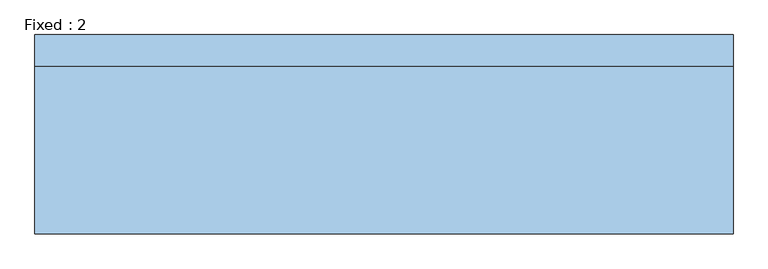
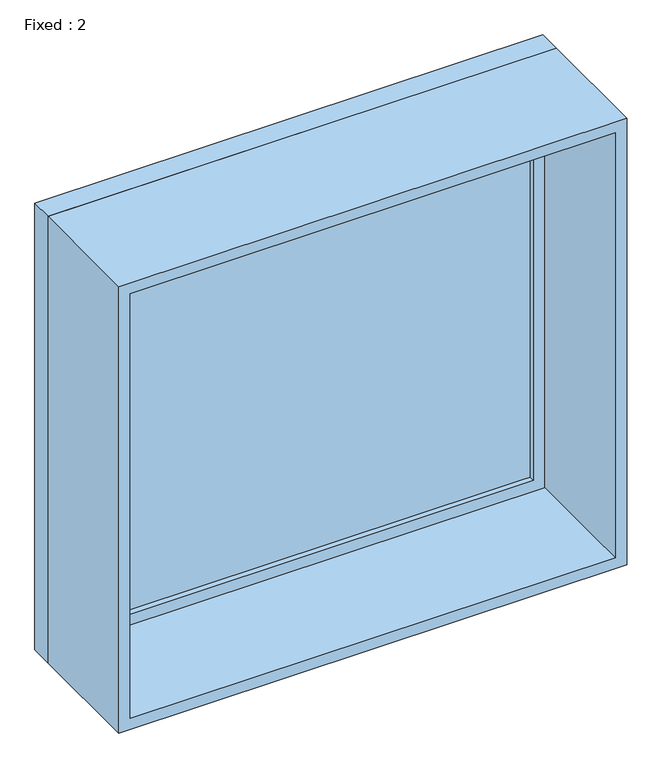
"""IFC4 building model written with IfcOpenShell, lengths in millimetres: window geometry, Fixed : 2."""

from ifc_helpers import new_model, si_unit, frame, origin, place, context, project, spatial, polyline, outline, extrude, source, transform, mapped, element, save


def fixed_2_1b0da007(model_context):
    return source(origin(), model_context, "Body", "SweptSolid", [
        extrude(outline(polyline([(598.4, 152.375), (-674.6, 152.375), (-674.6, 165.075), (598.4, 165.075), (598.4, 152.375)])), frame((0.0, 0.0, 1063.5), z_axis=(0.0, 0.0, 1.0), x_axis=(1.0, 0.0, 0.0)), (0.0, 0.0, 1.0), 1173.0),
        extrude(outline(polyline([(2280.95, -719.05), (1019.05, -719.05), (1019.05, 642.85), (2280.95, 642.85), (2280.95, -719.05)]), holes=[polyline([(2236.5, -674.6), (2236.5, 598.4), (1063.5, 598.4), (1063.5, -674.6), (2236.5, -674.6)])]), frame((0.0, 136.5, 0.0), z_axis=(0.0, 1.0, 0.0), x_axis=(0.0, 0.0, 1.0)), (0.0, 0.0, 1.0), 44.45),
        extrude(outline(polyline([(2300.0, -738.1), (1000.0, -738.1), (1000.0, 661.9), (2300.0, 661.9), (2300.0, -738.1)]), holes=[polyline([(2268.25, -706.35), (2268.25, 630.15), (1031.75, 630.15), (1031.75, -706.35), (2268.25, -706.35)])]), frame((0.0, -200.0, 0.0), z_axis=(0.0, 1.0, 0.0), x_axis=(0.0, 0.0, 1.0)), (0.0, 0.0, 1.0), 336.5),
        extrude(outline(polyline([(2300.0, 661.9), (2300.0, -738.1), (1000.0, -738.1), (1000.0, 661.9), (2300.0, 661.9)]), holes=[polyline([(2280.95, 642.85), (1019.05, 642.85), (1019.05, -719.05), (2280.95, -719.05), (2280.95, 642.85)])]), frame((0.0, 136.5, 0.0), z_axis=(0.0, 1.0, 0.0), x_axis=(0.0, 0.0, 1.0)), (0.0, 0.0, 1.0), 63.5),
    ])


if __name__ == "__main__":
    model = new_model("IFC4")
    model_context = context("Model", 3, world=origin())
    ifc_project = project(units=[si_unit("LENGTHUNIT", "METRE", prefix="MILLI")], contexts=[model_context])
    site = spatial("IfcSite", under=ifc_project)
    building = spatial("IfcBuilding", under=site)
    placement = place(None, origin())
    fixed_2_shape = fixed_2_1b0da007(model_context)
    element("IfcWindow", 1, ObjectType="Fixed : 2", at=placement, inside=building, context=model_context, shape_type="MappedRepresentation", body=[
        mapped(fixed_2_shape, transform((0.0, 0.0, 0.0), x_axis=(1.0, 0.0, 0.0), y_axis=(0.0, 1.0, 0.0), z_axis=(0.0, 0.0, 1.0))),
    ])
    save(model, "model.ifc")
